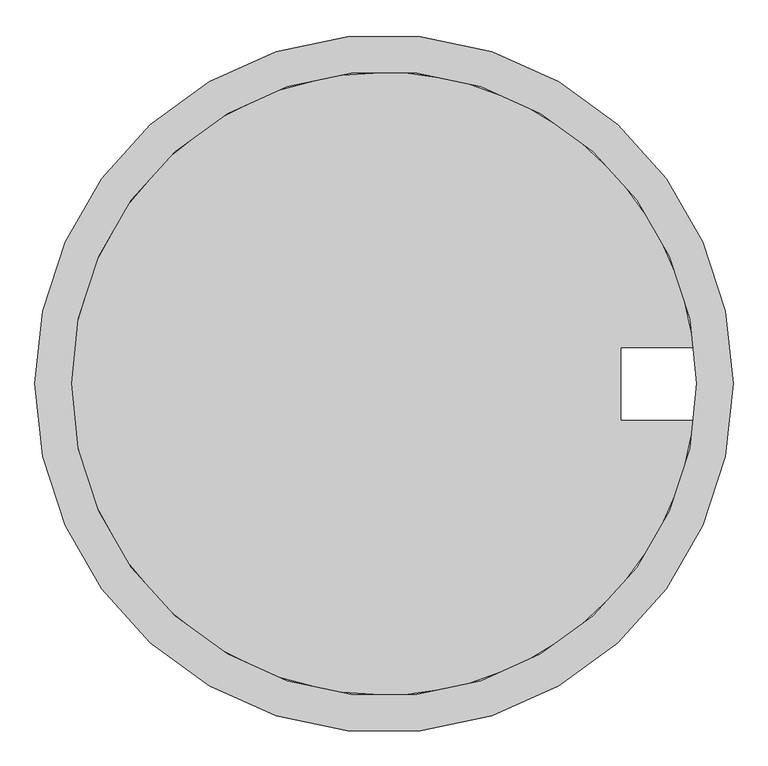
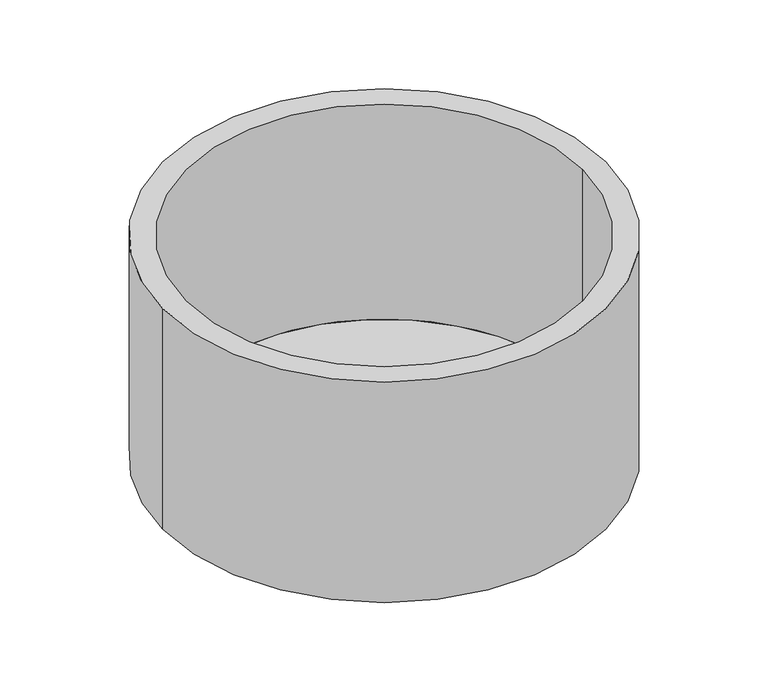
"""IFC4 building model written with IfcOpenShell, lengths in millimetres: proxy geometry."""

from ifc_helpers import new_model, si_unit, frame, origin, place, context, project, spatial, polyline, circle_curve, source, transform, mapped, element, save
from ifc_brep_helpers import plane_surface, cylinder_surface, revolved_surface, advanced_brep


def generic_models_172a481c(model_context):
    return source(origin(), model_context, "Body", "AdvancedBrep", [
        advanced_brep(
        [(7600.0, 3800.0, 0.0), (7600.0, 3800.0, 4000.0), (0.0, 3800.0, 4000.0), (0.0, 3800.0, 0.0), (7200.0, 3800.0, 0.0), (7200.0, 3800.0, 4000.0), (400.0, 3800.0, 4000.0), (400.0, 3800.0, 100.0), (7176.7120547, 4197.2602417, 100.0), (7176.7120547, 4197.2602417, 0.0), (6376.7120547, 4197.2602417, 100.0), (6376.7120547, 3402.7397583, 100.0), (6376.7120547, 3402.7397583, 0.0), (6376.7120547, 4197.2602417, 0.0), (7176.7120547, 3402.7397583, 100.0), (7176.7120547, 3402.7397583, 0.0)],
        [
            (0, 1),
            (1, 2, circle_curve(frame((3800.0, 3800.0, 4000.0), z_axis=(0.0, 0.0, -1.0), x_axis=(1.0, 0.0, 0.0)), 3800.0)),
            (2, 3),
            (3, 0, circle_curve(frame((3800.0, 3800.0, 0.0), z_axis=(0.0, 0.0, 1.0), x_axis=(1.0, 0.0, 0.0)), 3800.0)),
            (4, 5),
            (5, 6, circle_curve(frame((3800.0, 3800.0, 4000.0), z_axis=(0.0, 0.0, 1.0), x_axis=(1.0, 0.0, 0.0)), 3400.0)),
            (6, 7),
            (7, 8, circle_curve(frame((3800.0, 3800.0, 100.0), z_axis=(0.0, 0.0, -1.0), x_axis=(1.0, 0.0, 0.0)), 3400.0)),
            (8, 9),
            (9, 4, circle_curve(frame((3800.0, 3800.0, 0.0), z_axis=(0.0, 0.0, -1.0), x_axis=(1.0, 0.0, 0.0)), 3400.0)),
            (10, 11),
            (11, 12),
            (12, 13),
            (13, 10),
            (8, 10),
            (13, 9),
            (11, 14),
            (14, 15),
            (15, 12),
            (7, 14, circle_curve(frame((3800.0, 3800.0, 100.0), z_axis=(0.0, 0.0, 1.0), x_axis=(1.0, 0.0, 0.0)), 3400.0)),
            (1, 2, circle_curve(frame((3800.0, 3800.0, 4000.0), z_axis=(0.0, 0.0, 1.0), x_axis=(1.0, 0.0, 0.0)), 3800.0)),
            (5, 6, circle_curve(frame((3800.0, 3800.0, 4000.0), z_axis=(0.0, 0.0, -1.0), x_axis=(1.0, 0.0, 0.0)), 3400.0)),
            (4, 15, circle_curve(frame((3800.0, 3800.0, 0.0), z_axis=(0.0, 0.0, -1.0), x_axis=(1.0, 0.0, 0.0)), 3400.0)),
            (3, 0, circle_curve(frame((3800.0, 3800.0, 0.0), z_axis=(0.0, 0.0, -1.0), x_axis=(1.0, 0.0, 0.0)), 3800.0)),
        ],
        [
            cylinder_surface(frame((3800.0, 3800.0, 2000.0), z_axis=(0.0, 0.0, 1.0), x_axis=(1.0, 0.0, 0.0)), 3800.0),
            revolved_surface(polyline([(7200.0, 3800.0, 4000.0), (7200.0, 3800.0, 0.0)]), (3800.0, 3800.0, 2000.0), (0.0, 0.0, 1.0)),
            plane_surface(frame((6376.7120547, 3800.0, 100.0), z_axis=(1.0, 0.0, 0.0), x_axis=(0.0, 0.0, -1.0))),
            plane_surface(frame((6776.7120547, 4197.2602417, 100.0), z_axis=(0.0, -1.0, 0.0), x_axis=(0.0, 0.0, -1.0))),
            plane_surface(frame((6776.7120547, 3402.7397583, 100.0), z_axis=(0.0, 1.0, 0.0), x_axis=(0.0, 0.0, 1.0))),
            plane_surface(frame((3800.0, 3800.0, 100.0), z_axis=(0.0, 0.0, 1.0), x_axis=(1.0, 0.0, 0.0))),
            plane_surface(frame((7200.0, 3800.0, 4000.0), z_axis=(0.0, 0.0, 1.0), x_axis=(1.0, 0.0, 0.0))),
            plane_surface(frame((7600.0, 3800.0, 0.0), z_axis=(0.0, 0.0, -1.0), x_axis=(-1.0, 0.0, 0.0))),
        ],
        [
            (0, [[1, 2, 3, 4]]),
            (1, [[5, 6, 7, 8, 9, 10]]),
            (2, [[11, 12, 13, 14]]),
            (3, [[15, -14, 16, -9]]),
            (4, [[17, 18, 19, -12]]),
            (5, [[-17, -11, -15, -8, 20]]),
            (6, [[21, -2], [-6, 22]]),
            (1, [[-5, 23, -18, -20, -7, -22]]),
            (7, [[24, -4], [-23, -10, -16, -13, -19]]),
            (0, [[-1, -24, -3, -21]]),
        ],
    ),
    ])


if __name__ == "__main__":
    model = new_model("IFC4")
    model_context = context("Model", 3, world=origin())
    ifc_project = project(units=[si_unit("LENGTHUNIT", "METRE", prefix="MILLI")], contexts=[model_context])
    site = spatial("IfcSite", under=ifc_project)
    building = spatial("IfcBuilding", under=site)
    placement = place(None, origin())
    generic_models_shape = generic_models_172a481c(model_context)
    element("IfcBuildingElementProxy", 1, Name="Generic Models", at=placement, inside=building, context=model_context, shape_type="MappedRepresentation", body=[
        mapped(generic_models_shape, transform((0.0, 0.0, 0.0), x_axis=(1.0, 0.0, 0.0), y_axis=(0.0, 1.0, 0.0), z_axis=(0.0, 0.0, 1.0))),
    ])
    save(model, "model.ifc")
